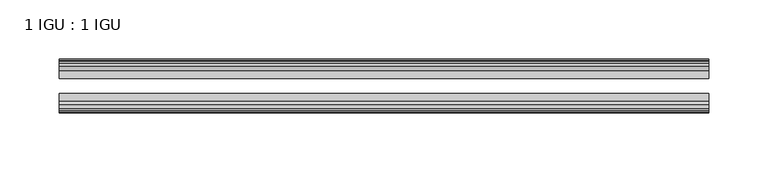
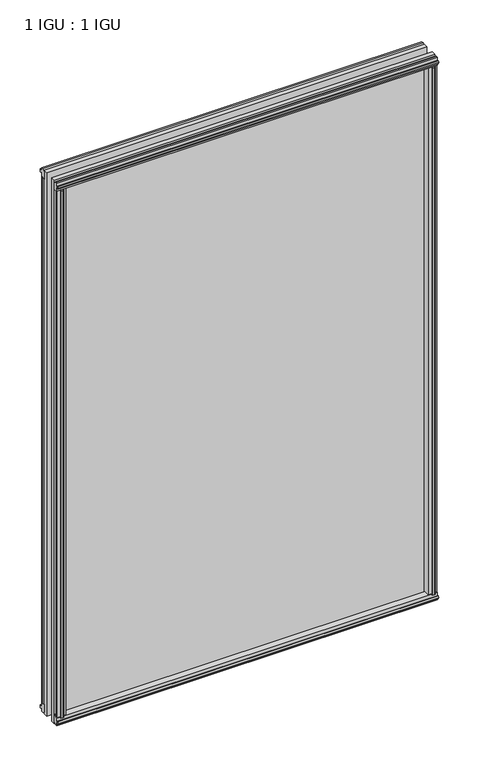
"""IFC4 building model written with IfcOpenShell, lengths in millimetres: plate geometry, 1 IGU : 1 IGU."""

import ifcopenshell
import ifcopenshell.guid

model = None  # the IFC model being written
_history = None  # IfcOwnerHistory: only IFC2X3 demands one
_inside = {}  # id of a spatial element -> (the spatial element, [elements in it])
_under = {}  # id of a project, library or spatial element -> (it, [spatial elements below it])
_declared = {}  # id of a project -> (the project, [libraries it declares])
_typed = {}  # id of a type object -> (the type object, [elements of that type])
_made_of = {}  # id of a material, layer set ... -> (it, [elements and type objects made of it])


def new_model(schema):
    """Start an empty IFC model of exactly this schema.

    Asked for "IFC4X3", IfcOpenShell would pick the latest addendum, in which some entities
    have other attributes; the version numbers below select the first issue.
    IFC2X3 requires an IfcOwnerHistory on every rooted entity: one is made here for all.
    """
    global model, _history
    if schema == "IFC4X3":
        model = ifcopenshell.file(schema_version=(4, 3, 0, 0))
    else:
        model = ifcopenshell.file(schema=schema)
    _inside.clear()
    _under.clear()
    _declared.clear()
    _typed.clear()
    _made_of.clear()
    _history = None
    if model.schema == "IFC2X3":
        org = make("IfcOrganization", Name="unknown")
        user = make(
            "IfcPersonAndOrganization",
            ThePerson=make("IfcPerson", FamilyName="unknown"),
            TheOrganization=org,
        )
        app = make(
            "IfcApplication",
            ApplicationDeveloper=org,
            Version="unknown",
            ApplicationFullName="unknown",
            ApplicationIdentifier="unknown",
        )
        _history = make(
            "IfcOwnerHistory",
            OwningUser=user,
            OwningApplication=app,
            ChangeAction="ADDED",
            CreationDate=0,
        )
    return model


def make(cls, **values):
    """One entity of the class cls with the attributes given. An attribute that is None is left unset."""
    return model.create_entity(
        cls, **{name: value for name, value in values.items() if value is not None}
    )


def rooted(cls, **values):
    """An entity with a GlobalId (a new one), such as an element, a storey or a relation."""
    return make(cls, GlobalId=ifcopenshell.guid.new(), OwnerHistory=_history, **values)


def si_unit(unit_type, name, prefix=None):
    """IfcSIUnit, for example si_unit("LENGTHUNIT", "METRE", prefix="MILLI")."""
    return make("IfcSIUnit", UnitType=unit_type, Prefix=prefix, Name=name)


def assignment(units):
    """IfcUnitAssignment: the units of a project."""
    return None if units is None else make("IfcUnitAssignment", Units=units)


def point(xyz):
    """IfcCartesianPoint."""
    return None if xyz is None else make("IfcCartesianPoint", Coordinates=xyz)


def direction(xyz):
    """IfcDirection."""
    return None if xyz is None else make("IfcDirection", DirectionRatios=xyz)


def frame(location, z_axis=None, x_axis=None):
    """IfcAxis2Placement3D, a coordinate frame: its origin and axes. An axis left out is left unset."""
    return make(
        "IfcAxis2Placement3D",
        Location=point(location),
        Axis=direction(z_axis),
        RefDirection=direction(x_axis),
    )


def origin():
    """The frame at (0, 0, 0) with its axes left unset."""
    return frame((0.0, 0.0, 0.0))


def origin_with_axes():
    """The frame at (0, 0, 0) with the z axis (0, 0, 1) and the x axis (1, 0, 0) written out."""
    return frame((0.0, 0.0, 0.0), z_axis=(0.0, 0.0, 1.0), x_axis=(1.0, 0.0, 0.0))


def place(relative_to, where):
    """IfcLocalPlacement: puts the frame where relative to a parent placement (None: the world)."""
    return make(
        "IfcLocalPlacement", PlacementRelTo=relative_to, RelativePlacement=where
    )


def context(
    kind, dimensions, precision=None, world=None, true_north=None, identifier=None
):
    """IfcGeometricRepresentationContext, for example the 3D "Model" context."""
    return make(
        "IfcGeometricRepresentationContext",
        ContextIdentifier=identifier,
        ContextType=kind,
        CoordinateSpaceDimension=dimensions,
        Precision=precision,
        WorldCoordinateSystem=world,
        TrueNorth=true_north,
    )


def project(units=None, contexts=None):
    """IfcProject with its units and contexts."""
    return rooted(
        "IfcProject",
        Name="project",
        RepresentationContexts=contexts,
        UnitsInContext=assignment(units),
    )


def spatial(cls, under=None, at=None, **own):
    """A site, building, storey or space (cls), placed at a placement, below another one or the project."""
    s = rooted(cls, ObjectPlacement=at, **own)
    if under is not None:
        _under.setdefault(under.id(), (under, []))[1].append(s)
    return s


def polyline(points):
    """IfcPolyline through the points."""
    return make("IfcPolyline", Points=[point(p) for p in points])


def outline(outer, holes=None, kind="AREA"):
    """IfcArbitraryClosedProfileDef: a profile drawn as a closed curve; with holes, ...WithVoids."""
    if holes is None:
        return make("IfcArbitraryClosedProfileDef", ProfileType=kind, OuterCurve=outer)
    return make(
        "IfcArbitraryProfileDefWithVoids",
        ProfileType=kind,
        OuterCurve=outer,
        InnerCurves=holes,
    )


def extrude(swept, where, along, depth):
    """IfcExtrudedAreaSolid: the profile swept, set in the frame where, extruded along a direction by depth."""
    return make(
        "IfcExtrudedAreaSolid",
        SweptArea=swept,
        Position=where,
        ExtrudedDirection=direction(along),
        Depth=depth,
    )


def shape(context_of_items, identifier, shape_type, items):
    """IfcShapeRepresentation: the items that make up one representation, for example the "Body"."""
    return make(
        "IfcShapeRepresentation",
        ContextOfItems=context_of_items,
        RepresentationIdentifier=identifier,
        RepresentationType=shape_type,
        Items=items,
    )


def source(mapping_origin, context_of_items, identifier, shape_type, items):
    """IfcRepresentationMap: a shape defined once, which mapped items show again and again."""
    return make(
        "IfcRepresentationMap",
        MappingOrigin=mapping_origin,
        MappedRepresentation=shape(context_of_items, identifier, shape_type, items),
    )


def transform(
    local_origin,
    x_axis=None,
    y_axis=None,
    z_axis=None,
    scale=None,
    scale2=None,
    scale3=None,
    uniform=True,
):
    """IfcCartesianTransformationOperator3D, or its non-uniform kind. x_axis, y_axis, z_axis: its Axis1, 2, 3."""
    if uniform:
        return make(
            "IfcCartesianTransformationOperator3D",
            Axis1=direction(x_axis),
            Axis2=direction(y_axis),
            LocalOrigin=point(local_origin),
            Scale=scale,
            Axis3=direction(z_axis),
        )
    return make(
        "IfcCartesianTransformationOperator3DnonUniform",
        Axis1=direction(x_axis),
        Axis2=direction(y_axis),
        LocalOrigin=point(local_origin),
        Scale=scale,
        Axis3=direction(z_axis),
        Scale2=scale2,
        Scale3=scale3,
    )


def mapped(mapping_source, mapping_target):
    """IfcMappedItem: shows the shape of a source again, moved by a transform."""
    return make(
        "IfcMappedItem", MappingSource=mapping_source, MappingTarget=mapping_target
    )


def made_of(thing, what):
    """Note that an element or type object is made of a material, layer set ...; save() writes the relation."""
    if what is not None:
        _made_of.setdefault(what.id(), (what, []))[1].append(thing)
    return thing


def element(
    cls,
    number,
    at=None,
    inside=None,
    cuts=None,
    type_object=None,
    material=None,
    context=None,
    identifier="Body",
    shape_type=None,
    held_by="IfcProductDefinitionShape",
    body=None,
    shapes=None,
    **own,
):
    """One element of the class cls, such as IfcWall. Its Tag is "e" and its number.

    at: its placement. inside: the storey or other place that contains it. cuts: it is an
    opening in that element (IfcRelVoidsElement). A single representation is given by context,
    identifier, shape_type and body (its items); several are given by shapes. held_by: the class
    of the entity that holds the representations. save() writes the other relations.
    """
    e = rooted(cls, Tag="e%d" % number, ObjectPlacement=at, **own)
    if body is not None:
        shapes = [shape(context, identifier, shape_type, body)]
    if shapes is not None:
        e.Representation = make(held_by, Representations=shapes)
    if inside is not None:
        _inside.setdefault(inside.id(), (inside, []))[1].append(e)
    if cuts is not None:
        rooted(
            "IfcRelVoidsElement", RelatingBuildingElement=cuts, RelatedOpeningElement=e
        )
    if type_object is not None:
        _typed.setdefault(type_object.id(), (type_object, []))[1].append(e)
    return made_of(e, material)


def aggregate(whole, parts):
    """IfcRelAggregates: a whole, such as a stair, and the parts it consists of."""
    return rooted("IfcRelAggregates", RelatingObject=whole, RelatedObjects=parts)


def save(model, path):
    """Write the relations noted so far, then the file.

    IfcRelAggregates (storeys below a building ...), IfcRelContainedInSpatialStructure (elements
    in a storey), IfcRelDefinesByType, IfcRelAssociatesMaterial and IfcRelDeclares: one each for
    every whole, place, type object, material and project.
    """
    for whole, parts in _under.values():
        aggregate(whole, parts)
    for where, things in _inside.values():
        rooted(
            "IfcRelContainedInSpatialStructure",
            RelatedElements=things,
            RelatingStructure=where,
        )
    for kind, things in _typed.values():
        rooted("IfcRelDefinesByType", RelatedObjects=things, RelatingType=kind)
    for what, things in _made_of.values():
        rooted("IfcRelAssociatesMaterial", RelatedObjects=things, RelatingMaterial=what)
    for by, libraries in _declared.values():
        rooted("IfcRelDeclares", RelatingContext=by, RelatedDefinitions=libraries)
    model.write(path)


def plate_1_igu_1_igu_fbe411d2(model_context):
    return source(origin(), model_context, "Body", "SweptSolid", [
        extrude(outline(polyline([(258.7629858, -19.5460937), (260.8682629, -13.1960937), (266.0754573, -13.1960937), (266.4564573, -10.8158968), (265.0409282, -11.27583), (265.0409282, -10.4746158), (267.2184573, -9.7670937), (269.3959863, -10.4746158), (269.3959863, -11.27583), (267.9804573, -10.8158968), (268.3614573, -13.1960937), (272.8064573, -13.1960937), (272.8064573, -16.1419073), (270.5933798, -19.5460937), (258.7629858, -19.5460937)])), origin_with_axes(), (0.0, 0.0, 1.0), 800.1),
        extrude(outline(polyline([(-258.7629858, -19.5460937), (-270.5933798, -19.5460937), (-272.8064573, -16.1419073), (-272.8064573, -13.1960937), (-268.3614573, -13.1960937), (-267.9804573, -10.8158968), (-269.3959863, -11.27583), (-269.3959863, -10.4746158), (-267.2184573, -9.7670937), (-265.0409282, -10.4746158), (-265.0409282, -11.27583), (-266.4564573, -10.8158968), (-266.0754573, -13.1960937), (-260.8682629, -13.1960937), (-258.7629858, -19.5460937)])), origin_with_axes(), (0.0, 0.0, 1.0), 800.1),
        extrude(outline(polyline([(-16.1419073, -12.4576852), (-19.5460937, -10.2446077), (-19.5460937, 1.5857863), (-13.1960937, -0.5194908), (-13.1960937, -5.7266852), (-10.8158968, -6.1076852), (-11.27583, -4.6921562), (-10.4746158, -4.6921562), (-9.7670937, -6.8696852), (-10.4746158, -9.0472143), (-11.27583, -9.0472143), (-10.8158968, -7.6316852), (-13.1960937, -8.0126852), (-13.1960937, -12.4576852), (-16.1419073, -12.4576852)])), frame((-273.0487721, 0.0, 0.0), z_axis=(1.0, 0.0, 0.0), x_axis=(0.0, 1.0, 0.0)), (0.0, 0.0, 1.0), 546.0975441),
        extrude(outline(polyline([(-48.3502802, -11.938), (-51.2960937, -11.938), (-51.2960937, -7.493), (-53.6762907, -7.112), (-53.2163575, -8.5275291), (-54.0175717, -8.5275291), (-54.7250937, -6.35), (-54.0175717, -4.172471), (-53.2163575, -4.172471), (-53.6762907, -5.588), (-51.2960937, -5.207), (-51.2960937, 0.0001944), (-44.9460937, 2.1054715), (-44.9460937, -9.7249225), (-48.3502802, -11.938)])), frame((-273.0487721, 0.0, 0.0), z_axis=(1.0, 0.0, 0.0), x_axis=(0.0, 1.0, 0.0)), (0.0, 0.0, 1.0), 546.0975441),
        extrude(outline(polyline([(-16.1028367, 812.5576852), (-13.1960937, 812.5576852), (-13.1960937, 808.1126852), (-10.8158968, 807.7316852), (-11.27583, 809.1472143), (-10.4746158, 809.1472143), (-9.7670937, 806.9696852), (-10.4746158, 804.7921562), (-11.27583, 804.7921562), (-10.8158968, 806.2076852), (-13.1960937, 805.8266852), (-13.1960937, 800.5940908), (-19.5460937, 798.4888137), (-19.5460937, 810.3192077), (-16.1028367, 812.5576852)])), frame((-273.0487721, 0.0, 0.0), z_axis=(1.0, 0.0, 0.0), x_axis=(0.0, 1.0, 0.0)), (0.0, 0.0, 1.0), 546.0975441),
        extrude(outline(polyline([(-48.3893508, 812.0126), (-44.9460937, 809.7741225), (-44.9460937, 797.9437285), (-51.2960937, 800.0490056), (-51.2960937, 805.2816), (-53.6762907, 805.6626), (-53.2163575, 804.247071), (-54.0175717, 804.247071), (-54.7250938, 806.4246), (-54.0175717, 808.6021291), (-53.2163575, 808.6021291), (-53.6762907, 807.1866), (-51.2960937, 807.5676), (-51.2960937, 812.0126), (-48.3893508, 812.0126)])), frame((-273.0487721, 0.0, 0.0), z_axis=(1.0, 0.0, 0.0), x_axis=(0.0, 1.0, 0.0)), (0.0, 0.0, 1.0), 546.0975441),
        extrude(outline(polyline([(-258.2433006, -44.9460938), (-260.3485776, -51.2960938), (-265.5557721, -51.2960938), (-265.9367721, -53.6762907), (-264.521243, -53.2163575), (-264.521243, -54.0175717), (-266.6987721, -54.7250938), (-268.8763011, -54.0175717), (-268.8763011, -53.2163575), (-267.4607721, -53.6762907), (-267.8417721, -51.2960938), (-272.2867721, -51.2960938), (-272.2867721, -48.3502802), (-270.0736946, -44.9460938), (-258.2433006, -44.9460938)])), origin_with_axes(), (0.0, 0.0, 1.0), 800.1),
        extrude(outline(polyline([(258.2433006, -44.9460938), (270.0736946, -44.9460938), (272.2867721, -48.3502802), (272.2867721, -51.2960938), (267.8417721, -51.2960938), (267.4607721, -53.6762907), (268.8763011, -53.2163575), (268.8763011, -54.0175717), (266.6987721, -54.7250938), (264.521243, -54.0175717), (264.521243, -53.2163575), (265.9367721, -53.6762907), (265.5557721, -51.2960938), (260.3485776, -51.2960938), (258.2433006, -44.9460938)])), origin_with_axes(), (0.0, 0.0, 1.0), 800.1),
        extrude(outline(polyline([(273.0487721, -19.5460937), (273.0487721, -25.8337453), (-273.0487721, -25.8337453), (-273.0487721, -19.5460937), (273.0487721, -19.5460937)])), frame((0.0, 0.0, -12.7), z_axis=(0.0, 0.0, 1.0), x_axis=(1.0, 0.0, 0.0)), (0.0, 0.0, 1.0), 825.4872998),
        extrude(outline(polyline([(-273.0487721, -44.9460937), (-273.0487721, -38.6468938), (273.0487721, -38.6468938), (273.0487721, -44.9460937), (-273.0487721, -44.9460937)])), frame((0.0, 0.0, -12.7), z_axis=(0.0, 0.0, 1.0), x_axis=(1.0, 0.0, 0.0)), (0.0, 0.0, 1.0), 825.4872998),
    ])


if __name__ == "__main__":
    model = new_model("IFC4")
    model_context = context("Model", 3, world=origin())
    ifc_project = project(units=[si_unit("LENGTHUNIT", "METRE", prefix="MILLI")], contexts=[model_context])
    site = spatial("IfcSite", under=ifc_project)
    building = spatial("IfcBuilding", under=site)
    placement = place(None, origin())
    plate_1_igu_1_igu_shape = plate_1_igu_1_igu_fbe411d2(model_context)
    element("IfcPlate", 1, ObjectType="1 IGU : 1 IGU", at=placement, inside=building, context=model_context, shape_type="MappedRepresentation", body=[
        mapped(plate_1_igu_1_igu_shape, transform((0.0, 0.0, 0.0), x_axis=(1.0, 0.0, 0.0), y_axis=(0.0, 1.0, 0.0), z_axis=(0.0, 0.0, 1.0))),
    ])
    save(model, "model.ifc")
